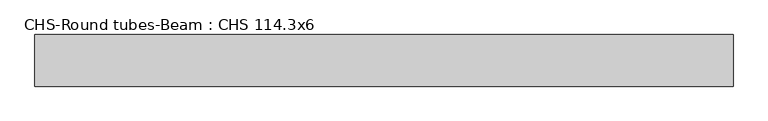
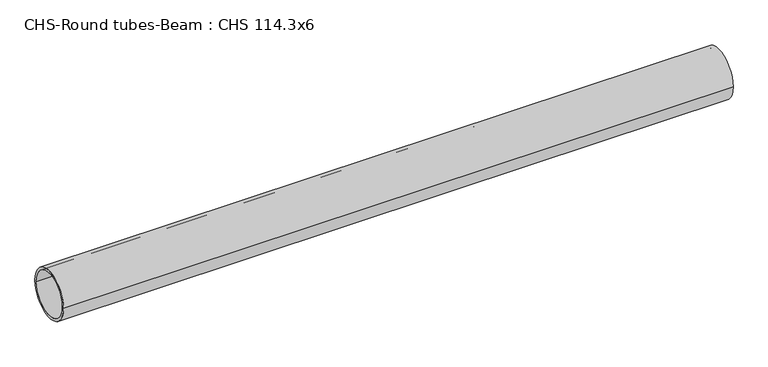
"""IFC4 building model written with IfcOpenShell, lengths in millimetres: beam geometry, CHS-Round tubes-Beam : CHS 114.3x6."""

import ifcopenshell
import ifcopenshell.guid

model = None  # the IFC model being written
_history = None  # IfcOwnerHistory: only IFC2X3 demands one
_inside = {}  # id of a spatial element -> (the spatial element, [elements in it])
_under = {}  # id of a project, library or spatial element -> (it, [spatial elements below it])
_declared = {}  # id of a project -> (the project, [libraries it declares])
_typed = {}  # id of a type object -> (the type object, [elements of that type])
_made_of = {}  # id of a material, layer set ... -> (it, [elements and type objects made of it])


def new_model(schema):
    """Start an empty IFC model of exactly this schema.

    Asked for "IFC4X3", IfcOpenShell would pick the latest addendum, in which some entities
    have other attributes; the version numbers below select the first issue.
    IFC2X3 requires an IfcOwnerHistory on every rooted entity: one is made here for all.
    """
    global model, _history
    if schema == "IFC4X3":
        model = ifcopenshell.file(schema_version=(4, 3, 0, 0))
    else:
        model = ifcopenshell.file(schema=schema)
    _inside.clear()
    _under.clear()
    _declared.clear()
    _typed.clear()
    _made_of.clear()
    _history = None
    if model.schema == "IFC2X3":
        org = make("IfcOrganization", Name="unknown")
        user = make(
            "IfcPersonAndOrganization",
            ThePerson=make("IfcPerson", FamilyName="unknown"),
            TheOrganization=org,
        )
        app = make(
            "IfcApplication",
            ApplicationDeveloper=org,
            Version="unknown",
            ApplicationFullName="unknown",
            ApplicationIdentifier="unknown",
        )
        _history = make(
            "IfcOwnerHistory",
            OwningUser=user,
            OwningApplication=app,
            ChangeAction="ADDED",
            CreationDate=0,
        )
    return model


def make(cls, **values):
    """One entity of the class cls with the attributes given. An attribute that is None is left unset."""
    return model.create_entity(
        cls, **{name: value for name, value in values.items() if value is not None}
    )


def rooted(cls, **values):
    """An entity with a GlobalId (a new one), such as an element, a storey or a relation."""
    return make(cls, GlobalId=ifcopenshell.guid.new(), OwnerHistory=_history, **values)


def si_unit(unit_type, name, prefix=None):
    """IfcSIUnit, for example si_unit("LENGTHUNIT", "METRE", prefix="MILLI")."""
    return make("IfcSIUnit", UnitType=unit_type, Prefix=prefix, Name=name)


def assignment(units):
    """IfcUnitAssignment: the units of a project."""
    return None if units is None else make("IfcUnitAssignment", Units=units)


def point(xyz):
    """IfcCartesianPoint."""
    return None if xyz is None else make("IfcCartesianPoint", Coordinates=xyz)


def direction(xyz):
    """IfcDirection."""
    return None if xyz is None else make("IfcDirection", DirectionRatios=xyz)


def frame(location, z_axis=None, x_axis=None):
    """IfcAxis2Placement3D, a coordinate frame: its origin and axes. An axis left out is left unset."""
    return make(
        "IfcAxis2Placement3D",
        Location=point(location),
        Axis=direction(z_axis),
        RefDirection=direction(x_axis),
    )


def frame_2d(location, x_axis=None):
    """IfcAxis2Placement2D, a coordinate frame in the plane: its origin and x axis."""
    return make(
        "IfcAxis2Placement2D", Location=point(location), RefDirection=direction(x_axis)
    )


def origin():
    """The frame at (0, 0, 0) with its axes left unset."""
    return frame((0.0, 0.0, 0.0))


def origin_2d():
    """The frame at (0, 0) in the plane with its x axis left unset."""
    return frame_2d((0.0, 0.0))


def place(relative_to, where):
    """IfcLocalPlacement: puts the frame where relative to a parent placement (None: the world)."""
    return make(
        "IfcLocalPlacement", PlacementRelTo=relative_to, RelativePlacement=where
    )


def context(
    kind, dimensions, precision=None, world=None, true_north=None, identifier=None
):
    """IfcGeometricRepresentationContext, for example the 3D "Model" context."""
    return make(
        "IfcGeometricRepresentationContext",
        ContextIdentifier=identifier,
        ContextType=kind,
        CoordinateSpaceDimension=dimensions,
        Precision=precision,
        WorldCoordinateSystem=world,
        TrueNorth=true_north,
    )


def project(units=None, contexts=None):
    """IfcProject with its units and contexts."""
    return rooted(
        "IfcProject",
        Name="project",
        RepresentationContexts=contexts,
        UnitsInContext=assignment(units),
    )


def spatial(cls, under=None, at=None, **own):
    """A site, building, storey or space (cls), placed at a placement, below another one or the project."""
    s = rooted(cls, ObjectPlacement=at, **own)
    if under is not None:
        _under.setdefault(under.id(), (under, []))[1].append(s)
    return s


def circle_curve(where, radius):
    """IfcCircle in the frame where."""
    return make("IfcCircle", Position=where, Radius=radius)


def trimmed(basis, trim1, trim2, sense, master):
    """IfcTrimmedCurve: the piece of a basis curve between two trims."""
    return make(
        "IfcTrimmedCurve",
        BasisCurve=basis,
        Trim1=trim1,
        Trim2=trim2,
        SenseAgreement=sense,
        MasterRepresentation=master,
    )


def segment(curve, same_sense, transition):
    """IfcCompositeCurveSegment."""
    return make(
        "IfcCompositeCurveSegment",
        Transition=transition,
        SameSense=same_sense,
        ParentCurve=curve,
    )


def composite_curve(segments, self_intersect=None):
    """IfcCompositeCurve: segments joined end to end."""
    return make("IfcCompositeCurve", Segments=segments, SelfIntersect=self_intersect)


def outline(outer, holes=None, kind="AREA"):
    """IfcArbitraryClosedProfileDef: a profile drawn as a closed curve; with holes, ...WithVoids."""
    if holes is None:
        return make("IfcArbitraryClosedProfileDef", ProfileType=kind, OuterCurve=outer)
    return make(
        "IfcArbitraryProfileDefWithVoids",
        ProfileType=kind,
        OuterCurve=outer,
        InnerCurves=holes,
    )


def extrude(swept, where, along, depth):
    """IfcExtrudedAreaSolid: the profile swept, set in the frame where, extruded along a direction by depth."""
    return make(
        "IfcExtrudedAreaSolid",
        SweptArea=swept,
        Position=where,
        ExtrudedDirection=direction(along),
        Depth=depth,
    )


def shape(context_of_items, identifier, shape_type, items):
    """IfcShapeRepresentation: the items that make up one representation, for example the "Body"."""
    return make(
        "IfcShapeRepresentation",
        ContextOfItems=context_of_items,
        RepresentationIdentifier=identifier,
        RepresentationType=shape_type,
        Items=items,
    )


def source(mapping_origin, context_of_items, identifier, shape_type, items):
    """IfcRepresentationMap: a shape defined once, which mapped items show again and again."""
    return make(
        "IfcRepresentationMap",
        MappingOrigin=mapping_origin,
        MappedRepresentation=shape(context_of_items, identifier, shape_type, items),
    )


def transform(
    local_origin,
    x_axis=None,
    y_axis=None,
    z_axis=None,
    scale=None,
    scale2=None,
    scale3=None,
    uniform=True,
):
    """IfcCartesianTransformationOperator3D, or its non-uniform kind. x_axis, y_axis, z_axis: its Axis1, 2, 3."""
    if uniform:
        return make(
            "IfcCartesianTransformationOperator3D",
            Axis1=direction(x_axis),
            Axis2=direction(y_axis),
            LocalOrigin=point(local_origin),
            Scale=scale,
            Axis3=direction(z_axis),
        )
    return make(
        "IfcCartesianTransformationOperator3DnonUniform",
        Axis1=direction(x_axis),
        Axis2=direction(y_axis),
        LocalOrigin=point(local_origin),
        Scale=scale,
        Axis3=direction(z_axis),
        Scale2=scale2,
        Scale3=scale3,
    )


def mapped(mapping_source, mapping_target):
    """IfcMappedItem: shows the shape of a source again, moved by a transform."""
    return make(
        "IfcMappedItem", MappingSource=mapping_source, MappingTarget=mapping_target
    )


def made_of(thing, what):
    """Note that an element or type object is made of a material, layer set ...; save() writes the relation."""
    if what is not None:
        _made_of.setdefault(what.id(), (what, []))[1].append(thing)
    return thing


def element(
    cls,
    number,
    at=None,
    inside=None,
    cuts=None,
    type_object=None,
    material=None,
    context=None,
    identifier="Body",
    shape_type=None,
    held_by="IfcProductDefinitionShape",
    body=None,
    shapes=None,
    **own,
):
    """One element of the class cls, such as IfcWall. Its Tag is "e" and its number.

    at: its placement. inside: the storey or other place that contains it. cuts: it is an
    opening in that element (IfcRelVoidsElement). A single representation is given by context,
    identifier, shape_type and body (its items); several are given by shapes. held_by: the class
    of the entity that holds the representations. save() writes the other relations.
    """
    e = rooted(cls, Tag="e%d" % number, ObjectPlacement=at, **own)
    if body is not None:
        shapes = [shape(context, identifier, shape_type, body)]
    if shapes is not None:
        e.Representation = make(held_by, Representations=shapes)
    if inside is not None:
        _inside.setdefault(inside.id(), (inside, []))[1].append(e)
    if cuts is not None:
        rooted(
            "IfcRelVoidsElement", RelatingBuildingElement=cuts, RelatedOpeningElement=e
        )
    if type_object is not None:
        _typed.setdefault(type_object.id(), (type_object, []))[1].append(e)
    return made_of(e, material)


def aggregate(whole, parts):
    """IfcRelAggregates: a whole, such as a stair, and the parts it consists of."""
    return rooted("IfcRelAggregates", RelatingObject=whole, RelatedObjects=parts)


def save(model, path):
    """Write the relations noted so far, then the file.

    IfcRelAggregates (storeys below a building ...), IfcRelContainedInSpatialStructure (elements
    in a storey), IfcRelDefinesByType, IfcRelAssociatesMaterial and IfcRelDeclares: one each for
    every whole, place, type object, material and project.
    """
    for whole, parts in _under.values():
        aggregate(whole, parts)
    for where, things in _inside.values():
        rooted(
            "IfcRelContainedInSpatialStructure",
            RelatedElements=things,
            RelatingStructure=where,
        )
    for kind, things in _typed.values():
        rooted("IfcRelDefinesByType", RelatedObjects=things, RelatingType=kind)
    for what, things in _made_of.values():
        rooted("IfcRelAssociatesMaterial", RelatedObjects=things, RelatingMaterial=what)
    for by, libraries in _declared.values():
        rooted("IfcRelDeclares", RelatingContext=by, RelatedDefinitions=libraries)
    model.write(path)


def chs_round_tubes_beam_chs_114_3x6_98d7e8e5(model_context):
    return source(origin(), model_context, "Body", "SweptSolid", [
        extrude(outline(composite_curve([segment(trimmed(circle_curve(origin_2d(), 57.15), [point((57.15, 0.0))], [point((-57.15, 0.0))], False, "CARTESIAN"), True, "CONTINUOUS"), segment(trimmed(circle_curve(origin_2d(), 57.15), [point((-57.15, 0.0))], [point((57.15, 0.0))], False, "CARTESIAN"), True, "CONTINUOUS")], self_intersect=False), holes=[composite_curve([segment(trimmed(circle_curve(origin_2d(), 51.15), [point((51.15, 0.0))], [point((-51.15, 0.0))], True, "CARTESIAN"), True, "CONTINUOUS"), segment(trimmed(circle_curve(origin_2d(), 51.15), [point((-51.15, 0.0))], [point((51.15, 0.0))], True, "CARTESIAN"), True, "CONTINUOUS")], self_intersect=False)]), frame((-785.5350073, 0.0, 0.0), z_axis=(1.0, 0.0, 0.0), x_axis=(0.0, 1.0, 0.0)), (0.0, 0.0, 1.0), 1545.7959544),
    ])


if __name__ == "__main__":
    model = new_model("IFC4")
    model_context = context("Model", 3, world=origin())
    ifc_project = project(units=[si_unit("LENGTHUNIT", "METRE", prefix="MILLI")], contexts=[model_context])
    site = spatial("IfcSite", under=ifc_project)
    building = spatial("IfcBuilding", under=site)
    placement = place(None, origin())
    chs_round_tubes_beam_chs_114_3x6_shape = chs_round_tubes_beam_chs_114_3x6_98d7e8e5(model_context)
    element("IfcBeam", 1, ObjectType="CHS-Round tubes-Beam : CHS 114.3x6", at=placement, inside=building, context=model_context, shape_type="MappedRepresentation", body=[
        mapped(chs_round_tubes_beam_chs_114_3x6_shape, transform((0.0, 0.0, 0.0), x_axis=(1.0, 0.0, 0.0), y_axis=(0.0, 1.0, 0.0), z_axis=(0.0, 0.0, 1.0))),
    ])
    save(model, "model.ifc")
